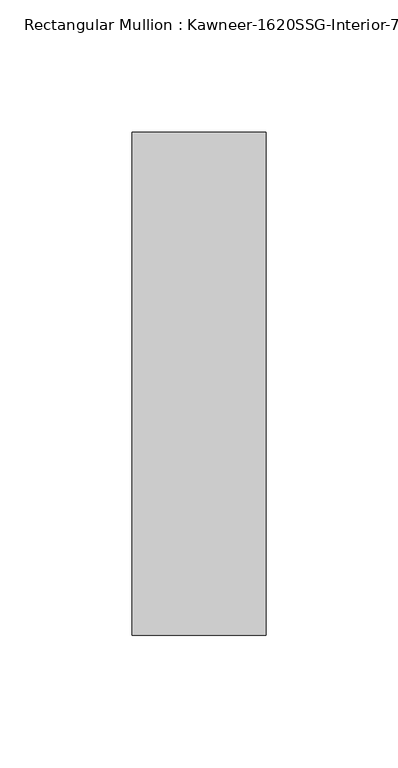
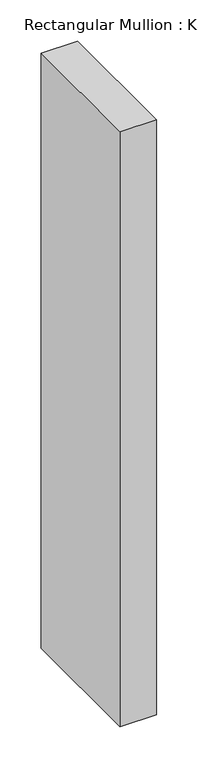
"""IFC4 building model written with IfcOpenShell, lengths in millimetres: member geometry."""

from ifc_helpers import new_model, si_unit, frame, origin, place, context, project, spatial, polyline, outline, extrude, source, transform, mapped, element, save


def member_058ca3af(model_context):
    return source(origin(), model_context, "Body", "SweptSolid", [
        extrude(outline(polyline([(25.4, -152.4), (-25.4, -152.4), (-25.4, 38.1), (25.4, 38.1), (25.4, -152.4)])), frame((0.0, 0.0, -876.3), z_axis=(0.0, 0.0, 1.0), x_axis=(1.0, 0.0, 0.0)), (0.0, 0.0, 1.0), 876.3),
    ])


if __name__ == "__main__":
    model = new_model("IFC4")
    model_context = context("Model", 3, world=origin())
    ifc_project = project(units=[si_unit("LENGTHUNIT", "METRE", prefix="MILLI")], contexts=[model_context])
    site = spatial("IfcSite", under=ifc_project)
    building = spatial("IfcBuilding", under=site)
    placement = place(None, origin())
    member_shape = member_058ca3af(model_context)
    element("IfcMember", 1, ObjectType="Rectangular Mullion : Kawneer-1620SSG-Interior-7.5\"-1\"Infill", at=placement, inside=building, context=model_context, shape_type="MappedRepresentation", body=[
        mapped(member_shape, transform((0.0, 0.0, 0.0), x_axis=(1.0, 0.0, 0.0), y_axis=(0.0, 1.0, 0.0), z_axis=(0.0, 0.0, 1.0))),
    ])
    save(model, "model.ifc")
